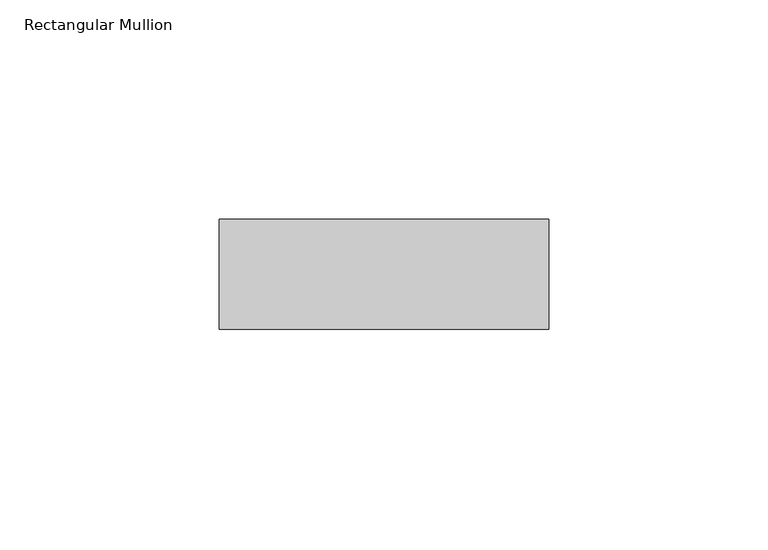
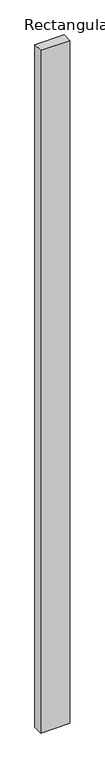
"""IFC4 building model written with IfcOpenShell, lengths in millimetres: member geometry, Rectangular Mullion."""

from ifc_helpers import new_model, si_unit, frame, origin, place, context, project, spatial, polyline, outline, extrude, source, transform, mapped, element, save


def rectangular_mullion_2497bf79(model_context):
    return source(origin(), model_context, "Body", "SweptSolid", [
        extrude(outline(polyline([(50.0, -2.5), (50.0, -27.5), (-25.0, -27.5), (-25.0, -2.5), (50.0, -2.5)])), frame((0.0, 0.0, -1841.0), z_axis=(0.0, 0.0, 1.0), x_axis=(1.0, 0.0, 0.0)), (0.0, 0.0, 1.0), 1841.0),
    ])


if __name__ == "__main__":
    model = new_model("IFC4")
    model_context = context("Model", 3, world=origin())
    ifc_project = project(units=[si_unit("LENGTHUNIT", "METRE", prefix="MILLI")], contexts=[model_context])
    site = spatial("IfcSite", under=ifc_project)
    building = spatial("IfcBuilding", under=site)
    placement = place(None, origin())
    rectangular_mullion_shape = rectangular_mullion_2497bf79(model_context)
    element("IfcMember", 1, ObjectType="Rectangular Mullion", at=placement, inside=building, context=model_context, shape_type="MappedRepresentation", body=[
        mapped(rectangular_mullion_shape, transform((0.0, 0.0, 0.0), x_axis=(1.0, 0.0, 0.0), y_axis=(0.0, 1.0, 0.0), z_axis=(0.0, 0.0, 1.0))),
    ])
    save(model, "model.ifc")
